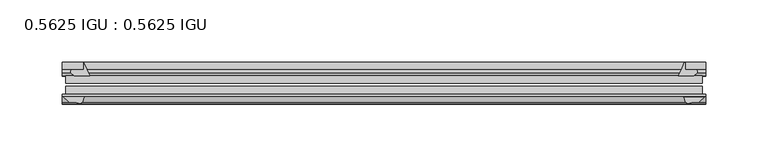
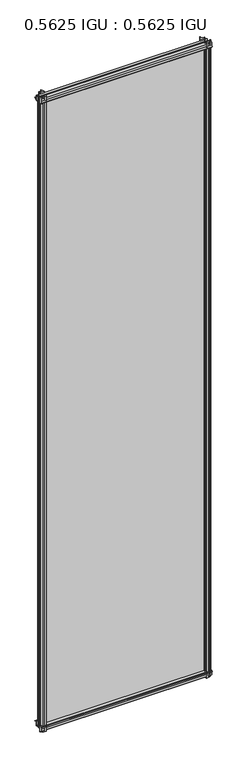
"""IFC4 building model written with IfcOpenShell, lengths in millimetres: plate geometry, 0.5625 IGU : 0.5625 IGU."""

from ifc_helpers import new_model, si_unit, point, frame, frame_2d, origin, place, context, project, spatial, polyline, circle_curve, trimmed, segment, composite_curve, outline, extrude, source, transform, mapped, element, save


def plate_0_5625_igu_0_5625_igu_93fb1641(model_context):
    return source(origin(), model_context, "Body", "SweptSolid", [
        extrude(outline(composite_curve([segment(trimmed(circle_curve(frame_2d((-37.8345654, 15.3636795)), 15.5602222), [point((-35.093275, 0.0468313))], [point((-27.955875, 3.3415337))], True, "CARTESIAN"), True, "CONTINUOUS"), segment(polyline([(-27.955875, 3.3415337), (-27.955875, -17.9974199)]), True, "CONTINUOUS"), segment(trimmed(circle_curve(frame_2d((-28.971875, -17.9974199)), 1.016), [point((-27.955875, -17.9974199))], [point((-29.7387172, -18.6639099))], False, "CARTESIAN"), True, "CONTINUOUS"), segment(polyline([(-29.7387172, -18.6639099), (-34.305875, -13.4090837), (-34.305875, -7.4052024), (-35.880675, -1.5279687), (-34.305875, -1.5279687), (-34.305875, -0.7405687)]), True, "CONTINUOUS"), segment(trimmed(circle_curve(frame_2d((-35.093275, -0.7405687)), 0.7874), [point((-34.305875, -0.7405687))], [point((-35.093275, 0.0468313))], True, "CARTESIAN"), True, "CONTINUOUS")], self_intersect=False)), frame((-259.0331096, 0.0, 0.0), z_axis=(1.0, 0.0, 0.0), x_axis=(0.0, 1.0, 0.0)), (0.0, 0.0, 1.0), 518.0662192),
        extrude(outline(composite_curve([segment(trimmed(circle_curve(frame_2d((11.4445684, 45.0767023)), 47.0962123), [point((-13.096875, 4.8800511))], [point((-2.198896, 0.0))], True, "CARTESIAN"), True, "CONTINUOUS"), segment(polyline([(-2.198896, 0.0), (-8.321675, 0.0), (-8.321675, -9.0936065)]), True, "CONTINUOUS"), segment(trimmed(circle_curve(frame_2d((-9.9050751, -9.085239)), 1.5834222), [point((-8.321675, -9.0936065))], [point((-11.0877177, -10.1381313))], False, "CARTESIAN"), True, "CONTINUOUS"), segment(polyline([(-11.0877177, -10.1381313), (-13.096875, -7.8711888), (-13.096875, 4.8800511)]), True, "CONTINUOUS")], self_intersect=False)), frame((-259.0331096, 0.0, 0.0), z_axis=(1.0, 0.0, 0.0), x_axis=(0.0, 1.0, 0.0)), (0.0, 0.0, 1.0), 518.0662192),
        extrude(outline(composite_curve([segment(polyline([(-34.305875, 2013.6590837), (-29.7387172, 2018.9139099)]), True, "CONTINUOUS"), segment(trimmed(circle_curve(frame_2d((-28.971875, 2018.2474199)), 1.016), [point((-29.7387172, 2018.9139099))], [point((-27.955875, 2018.2474199))], False, "CARTESIAN"), True, "CONTINUOUS"), segment(polyline([(-27.955875, 2018.2474199), (-27.955875, 1996.9084663)]), True, "CONTINUOUS"), segment(trimmed(circle_curve(frame_2d((-37.8345654, 1984.8863205)), 15.5602222), [point((-27.955875, 1996.9084663))], [point((-35.093275, 2000.2031687))], True, "CARTESIAN"), True, "CONTINUOUS"), segment(trimmed(circle_curve(frame_2d((-35.093275, 2000.9905687)), 0.7874), [point((-35.093275, 2000.2031687))], [point((-34.305875, 2000.9905687))], True, "CARTESIAN"), True, "CONTINUOUS"), segment(polyline([(-34.305875, 2000.9905687), (-34.305875, 2001.7779687), (-35.880675, 2001.7779687), (-34.305875, 2007.6552024), (-34.305875, 2013.6590837)]), True, "CONTINUOUS")], self_intersect=False)), frame((-259.0331096, 0.0, 0.0), z_axis=(1.0, 0.0, 0.0), x_axis=(0.0, 1.0, 0.0)), (0.0, 0.0, 1.0), 518.0662192),
        extrude(outline(composite_curve([segment(trimmed(circle_curve(frame_2d((-9.9050751, 2009.335239)), 1.5834222), [point((-11.0877177, 2010.3881313))], [point((-8.321675, 2009.3436065))], False, "CARTESIAN"), True, "CONTINUOUS"), segment(polyline([(-8.321675, 2009.3436065), (-8.321675, 2000.25), (-2.198896, 2000.25)]), True, "CONTINUOUS"), segment(trimmed(circle_curve(frame_2d((11.4445684, 1955.1732977)), 47.0962123), [point((-2.198896, 2000.25))], [point((-13.096875, 1995.3699489))], True, "CARTESIAN"), True, "CONTINUOUS"), segment(polyline([(-13.096875, 1995.3699489), (-13.096875, 2008.1211888), (-11.0877177, 2010.3881313)]), True, "CONTINUOUS")], self_intersect=False)), frame((-259.0331096, 0.0, 0.0), z_axis=(1.0, 0.0, 0.0), x_axis=(0.0, 1.0, 0.0)), (0.0, 0.0, 1.0), 518.0662192),
        extrude(outline(composite_curve([segment(polyline([(242.4039894, -8.321675), (250.6732711, -8.321675)]), True, "CONTINUOUS"), segment(trimmed(circle_curve(frame_2d((250.6649036, -9.9050751)), 1.5834222), [point((250.6732711, -8.321675))], [point((251.7177959, -11.0877177))], False, "CARTESIAN"), True, "CONTINUOUS"), segment(polyline([(251.7177959, -11.0877177), (249.4508534, -13.096875), (236.6996135, -13.096875)]), True, "CONTINUOUS"), segment(trimmed(circle_curve(frame_2d((196.5029623, 11.4445684)), 47.0962123), [point((236.6996135, -13.096875))], [point((241.5328333, -2.352675))], True, "CARTESIAN"), True, "CONTINUOUS"), segment(polyline([(241.5328333, -2.352675), (242.4039894, -2.5510821), (242.4039894, -8.321675)]), True, "CONTINUOUS")], self_intersect=False)), frame((0.0, 0.0, -19.0134199), z_axis=(0.0, 0.0, 1.0), x_axis=(1.0, 0.0, 0.0)), (0.0, 0.0, 1.0), 2037.9273298),
        extrude(outline(composite_curve([segment(trimmed(circle_curve(frame_2d((258.0171096, -28.971875)), 1.016), [point((258.0171096, -27.955875))], [point((258.6835996, -29.7387172))], False, "CARTESIAN"), True, "CONTINUOUS"), segment(polyline([(258.6835996, -29.7387172), (253.4287734, -34.305875), (249.4166669, -34.305875), (243.5394333, -35.880675), (243.5394333, -34.305875), (242.4490777, -34.305875)]), True, "CONTINUOUS"), segment(trimmed(circle_curve(frame_2d((230.8131251, -36.1215237)), 11.7767556), [point((242.4490777, -34.305875))], [point((239.2992405, -27.955875))], True, "CARTESIAN"), True, "CONTINUOUS"), segment(polyline([(239.2992405, -27.955875), (258.0171096, -27.955875)]), True, "CONTINUOUS")], self_intersect=False)), frame((0.0, 0.0, -19.0134199), z_axis=(0.0, 0.0, 1.0), x_axis=(1.0, 0.0, 0.0)), (0.0, 0.0, 1.0), 2037.9273298),
        extrude(outline(composite_curve([segment(trimmed(circle_curve(frame_2d((-196.5029623, 11.4445684)), 47.0962123), [point((-241.4831215, -2.5138875))], [point((-236.6996135, -13.096875))], True, "CARTESIAN"), True, "CONTINUOUS"), segment(polyline([(-236.6996135, -13.096875), (-249.4508534, -13.096875), (-251.7177959, -11.0877177)]), True, "CONTINUOUS"), segment(trimmed(circle_curve(frame_2d((-250.6649036, -9.9050751)), 1.5834222), [point((-251.7177959, -11.0877177))], [point((-250.6732711, -8.321675))], False, "CARTESIAN"), True, "CONTINUOUS"), segment(polyline([(-250.6732711, -8.321675), (-241.4831215, -8.321675), (-241.4831215, -2.5138875)]), True, "CONTINUOUS")], self_intersect=False)), frame((0.0, 0.0, -19.0134199), z_axis=(0.0, 0.0, 1.0), x_axis=(1.0, 0.0, 0.0)), (0.0, 0.0, 1.0), 2038.2768398),
        extrude(outline(composite_curve([segment(trimmed(circle_curve(frame_2d((-230.8131251, -36.1215237)), 11.7767556), [point((-239.2992405, -27.955875))], [point((-242.4490777, -34.305875))], True, "CARTESIAN"), True, "CONTINUOUS"), segment(polyline([(-242.4490777, -34.305875), (-243.5394333, -34.305875), (-243.5394333, -35.880675), (-249.4166669, -34.305875), (-253.4287734, -34.305875), (-258.6835996, -29.7387172)]), True, "CONTINUOUS"), segment(trimmed(circle_curve(frame_2d((-258.0171096, -28.971875)), 1.016), [point((-258.6835996, -29.7387172))], [point((-258.0171096, -27.955875))], False, "CARTESIAN"), True, "CONTINUOUS"), segment(polyline([(-258.0171096, -27.955875), (-239.2992405, -27.955875)]), True, "CONTINUOUS")], self_intersect=False)), frame((0.0, 0.0, -19.0134199), z_axis=(0.0, 0.0, 1.0), x_axis=(1.0, 0.0, 0.0)), (0.0, 0.0, 1.0), 2038.2768398),
        extrude(outline(polyline([(-256.2521333, -13.096875), (256.2521333, -13.096875), (256.2521333, -19.396075), (-256.2521333, -19.396075), (-256.2521333, -13.096875)])), frame((0.0, 0.0, -13.5929687), z_axis=(0.0, 0.0, 1.0), x_axis=(1.0, 0.0, 0.0)), (0.0, 0.0, 1.0), 2027.4359375),
        extrude(outline(polyline([(256.2521333, -21.656675), (256.2521333, -27.955875), (-256.2521333, -27.955875), (-256.2521333, -21.656675), (256.2521333, -21.656675)])), frame((0.0, 0.0, -13.5929687), z_axis=(0.0, 0.0, 1.0), x_axis=(1.0, 0.0, 0.0)), (0.0, 0.0, 1.0), 2027.4359375),
    ])


if __name__ == "__main__":
    model = new_model("IFC4")
    model_context = context("Model", 3, world=origin())
    ifc_project = project(units=[si_unit("LENGTHUNIT", "METRE", prefix="MILLI")], contexts=[model_context])
    site = spatial("IfcSite", under=ifc_project)
    building = spatial("IfcBuilding", under=site)
    placement = place(None, origin())
    plate_0_5625_igu_0_5625_igu_shape = plate_0_5625_igu_0_5625_igu_93fb1641(model_context)
    element("IfcPlate", 1, ObjectType="0.5625 IGU : 0.5625 IGU", at=placement, inside=building, context=model_context, shape_type="MappedRepresentation", body=[
        mapped(plate_0_5625_igu_0_5625_igu_shape, transform((0.0, 0.0, 0.0), x_axis=(1.0, 0.0, 0.0), y_axis=(0.0, 1.0, 0.0), z_axis=(0.0, 0.0, 1.0))),
    ])
    save(model, "model.ifc")
